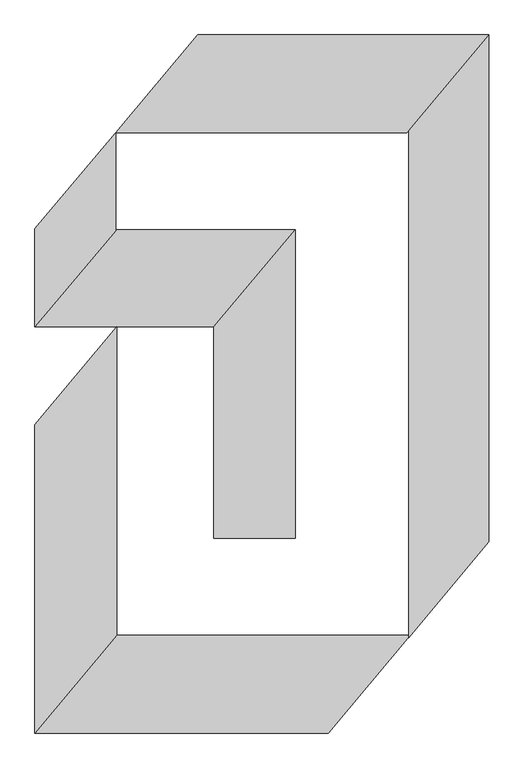
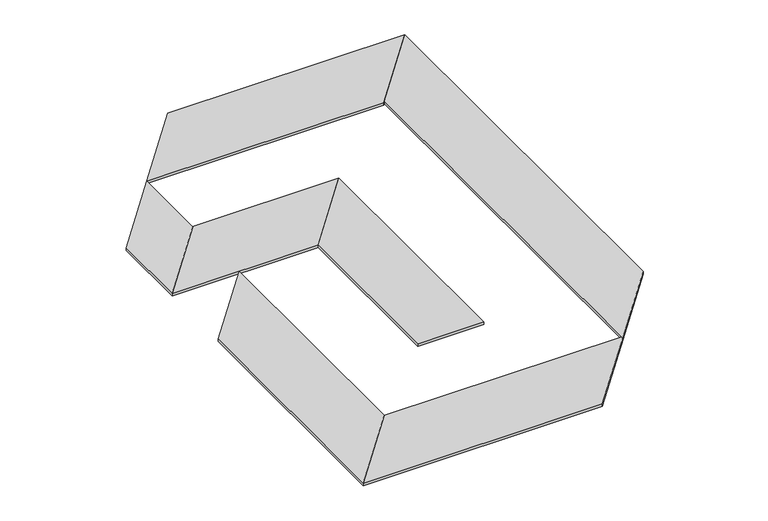
"""IFC4 building model written with IfcOpenShell, lengths in millimetres: proxy geometry."""

from ifc_helpers import new_model, si_unit, origin, origin_with_axes, place, context, project, spatial, polyline, outline, extrude, source, transform, mapped, element, save


def generic_models_d469e9b4(model_context):
    return source(origin(), model_context, "Body", "SweptSolid", [
        extrude(outline(polyline([(0.0, 1245.944915), (0.0, 1546.1340918), (247.5524387, 1841.1555999), (247.5524387, 1540.9664231), (0.0, 1245.944915)])), origin_with_axes(), (0.0, 0.0, 1.0), 10.0),
        extrude(outline(polyline([(549.0871364, 1245.944915), (798.358726, 1543.0152275), (798.358726, 596.9049651), (549.0871364, 596.9049651), (549.0871364, 1245.944915)])), origin_with_axes(), (0.0, 0.0, 1.0), 10.0),
        extrude(outline(polyline([(251.7298894, 300.0), (0.0, 0.0), (0.0, 945.944915), (251.7298894, 1245.944915), (251.7298894, 300.0)])), origin_with_axes(), (0.0, 0.0, 1.0), 10.0),
        extrude(outline(polyline([(1392.0736736, 586.4305683), (1145.8705144, 293.0170688), (1145.8705144, 1847.4433914), (1392.0736736, 2140.8568909), (1392.0736736, 586.4305683)])), origin_with_axes(), (0.0, 0.0, 1.0), 10.0),
        extrude(outline(polyline([(900.0, 0.0), (0.0, 0.0), (251.7298894, 300.0), (1151.7298894, 300.0), (900.0, 0.0)])), origin_with_axes(), (0.0, 0.0, 1.0), 10.0),
        extrude(outline(polyline([(1140.5944309, 1841.1555999), (247.5524387, 1841.1555999), (499.282328, 2141.1555999), (1392.3243202, 2141.1555999), (1140.5944309, 1841.1555999)])), origin_with_axes(), (0.0, 0.0, 1.0), 10.0),
        extrude(outline(polyline([(549.0871364, 1245.944915), (0.0, 1245.944915), (249.2715897, 1543.0152275), (798.358726, 1543.0152275), (549.0871364, 1245.944915)])), origin_with_axes(), (0.0, 0.0, 1.0), 10.0),
    ])


if __name__ == "__main__":
    model = new_model("IFC4")
    model_context = context("Model", 3, world=origin())
    ifc_project = project(units=[si_unit("LENGTHUNIT", "METRE", prefix="MILLI")], contexts=[model_context])
    site = spatial("IfcSite", under=ifc_project)
    building = spatial("IfcBuilding", under=site)
    placement = place(None, origin())
    generic_models_shape = generic_models_d469e9b4(model_context)
    element("IfcBuildingElementProxy", 1, Name="Generic Models", at=placement, inside=building, context=model_context, shape_type="MappedRepresentation", body=[
        mapped(generic_models_shape, transform((0.0, 0.0, 0.0), x_axis=(1.0, 0.0, 0.0), y_axis=(0.0, 1.0, 0.0), z_axis=(0.0, 0.0, 1.0))),
    ])
    save(model, "model.ifc")
